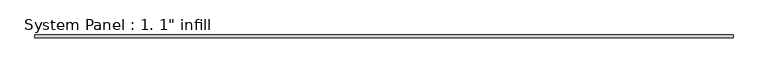
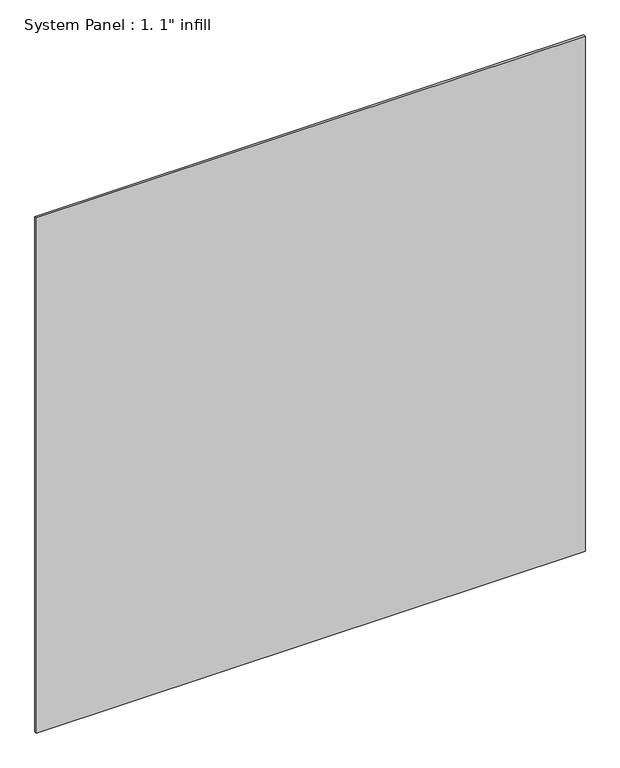
"""IFC4 building model written with IfcOpenShell, lengths in millimetres: plate geometry."""

from ifc_helpers import new_model, si_unit, origin, origin_with_axes, place, context, project, spatial, polyline, outline, extrude, source, transform, mapped, element, save


def plate_1779a621(model_context):
    return source(origin(), model_context, "Body", "SweptSolid", [
        extrude(outline(polyline([(3023.790625, -12.7), (-3023.790625, -12.7), (-3023.790625, 12.7), (3023.790625, 12.7), (3023.790625, -12.7)])), origin_with_axes(), (0.0, 0.0, 1.0), 6000.75),
    ])


if __name__ == "__main__":
    model = new_model("IFC4")
    model_context = context("Model", 3, world=origin())
    ifc_project = project(units=[si_unit("LENGTHUNIT", "METRE", prefix="MILLI")], contexts=[model_context])
    site = spatial("IfcSite", under=ifc_project)
    building = spatial("IfcBuilding", under=site)
    placement = place(None, origin())
    plate_shape = plate_1779a621(model_context)
    element("IfcPlate", 1, ObjectType="System Panel : 1. 1\" infill", at=placement, inside=building, context=model_context, shape_type="MappedRepresentation", body=[
        mapped(plate_shape, transform((0.0, 0.0, 0.0), x_axis=(1.0, 0.0, 0.0), y_axis=(0.0, 1.0, 0.0), z_axis=(0.0, 0.0, 1.0))),
    ])
    save(model, "model.ifc")
